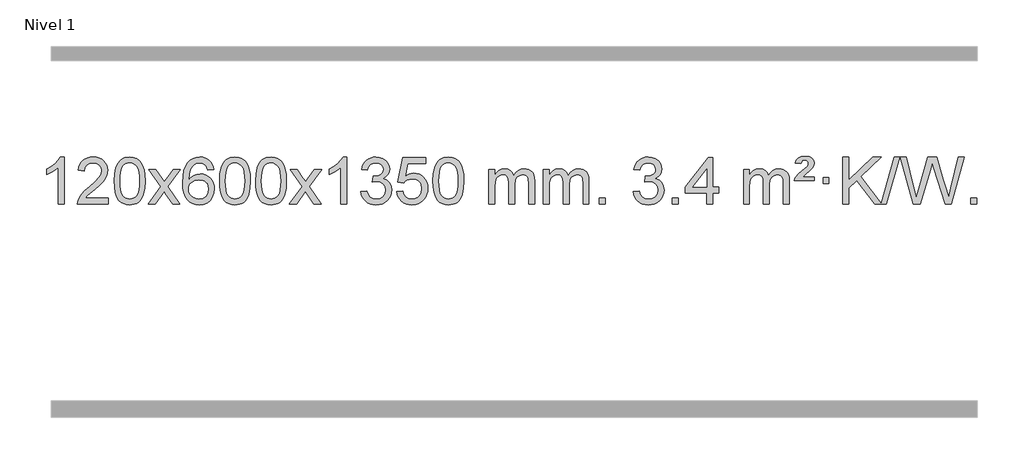
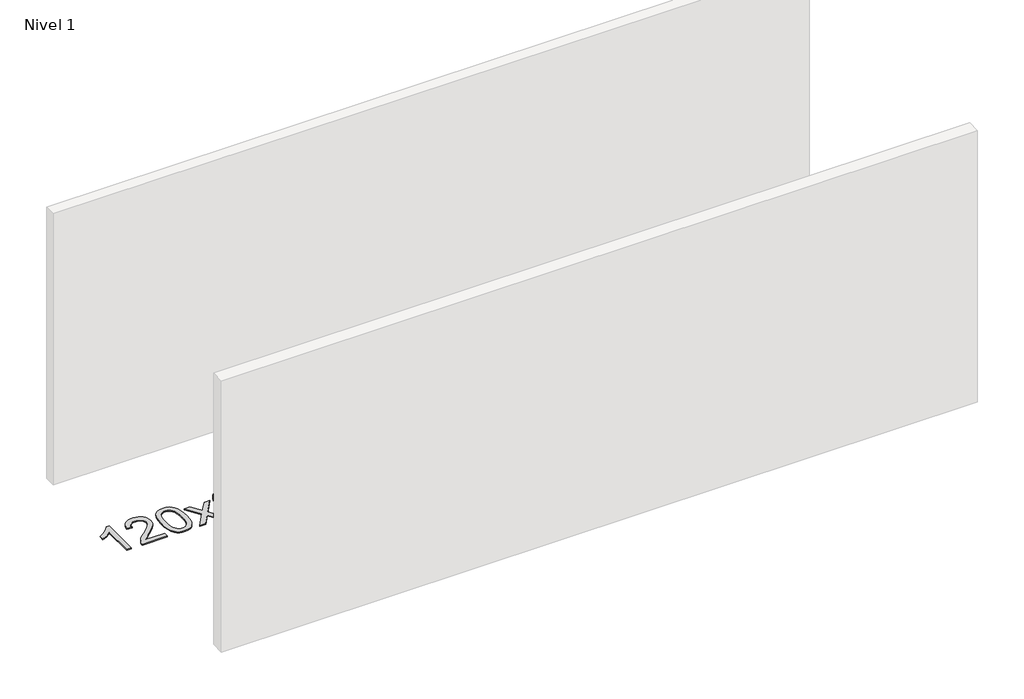
# One storey, part 4 of 16: 1 proxy.
"""IFC4 building model written with IfcOpenShell, lengths in millimetres."""

from ifc_helpers import new_model, si_unit, origin, origin_with_axes, place, context, project, spatial, polyline, outline, extrude, element, save

model = new_model("IFC4")

# Units and contexts
model_context = context("Model", 3, world=origin())
ifc_project = project(units=[si_unit("LENGTHUNIT", "METRE", prefix="MILLI")], contexts=[model_context])

# Site, building, storey
site = spatial("IfcSite", under=ifc_project)
building = spatial("IfcBuilding", under=site)
storey = spatial("IfcBuildingStorey", under=building, Name="Nivel 1", Elevation=0.0)

# Proxy
placement = place(None, origin())
element("IfcBuildingElementProxy", 1, Name="Texto de modelo 1", ObjectType="Texto de modelo 1", at=placement, inside=storey, context=model_context, shape_type="SweptSolid", body=[
    extrude(outline(polyline([(-121.6378538, -30595.579453), (-171.8660089, -30595.579453), (-171.8660089, -30282.4382987), (-192.8352826, -30299.3976587), (-219.4454136, -30316.3324932), (-272.3223191, -30341.6918254), (-272.3223191, -30294.2105225), (-232.8731065, -30272.7507395), (-198.6968691, -30247.219729), (-171.7556443, -30220.0700378), (-154.0114694, -30193.7542124), (-121.6378538, -30193.7542124), (-121.6378538, -30595.579453)])), origin_with_axes(), (0.0, 0.0, 1.0), 10.0),
    extrude(outline(polyline([(255.0733092, -30545.3512979), (255.0733092, -30595.579453), (-8.6245049, -30595.579453), (-7.5208589, -30577.8965918), (-3.2289023, -30560.9494945), (9.1564582, -30533.8856424), (27.2807778, -30507.6311307), (53.4985013, -30480.1503456), (90.1640735, -30449.4076736), (144.3653541, -30401.2641831), (176.8861225, -30365.7267824), (193.1465067, -30336.884834), (198.5666348, -30308.8277005), (193.453075, -30283.6768347), (178.1123958, -30262.7688747), (154.5311599, -30248.6789943), (124.6959301, -30243.9823675), (93.3646469, -30248.5686297), (69.0231215, -30262.3274163), (53.3145603, -30284.1796068), (47.8821695, -30313.0460807), (-2.3459855, -30306.7675613), (1.9735622, -30280.838012), (9.8309085, -30258.1826125), (21.2260533, -30238.8013627), (36.1589966, -30222.6942627), (54.2863819, -30210.0329907), (75.2648527, -30200.989225), (99.0944089, -30195.5629655), (125.7750506, -30193.7542124), (152.6948156, -30195.7653006), (176.6531306, -30201.7985654), (197.6499954, -30211.8540066), (215.6854103, -30225.9316242), (230.1707638, -30242.9890861), (240.5174449, -30261.9840598), (246.7254536, -30282.9165453), (248.7947898, -30305.7865427), (246.5629724, -30329.8092369), (239.8675201, -30353.4149983), (227.9849316, -30377.4254299), (210.1917058, -30402.6621347), (181.828004, -30432.7916701), (138.2339875, -30471.4805933), (80.4519888, -30519.795762), (57.7904579, -30545.3512979), (255.0733092, -30545.3512979)])), origin_with_axes(), (0.0, 0.0, 1.0), 10.0),
    extrude(outline(polyline([(305.3014643, -30397.9041943), (308.992547, -30333.5861588), (320.065795, -30282.2911459), (338.4108439, -30243.2343407), (350.2689068, -30228.0009605), (363.9173289, -30215.6309284), (379.4020952, -30206.0598651), (396.769191, -30199.2233914), (437.1503714, -30193.7542124), (468.1015099, -30196.991574), (495.8152869, -30206.7036586), (518.9918526, -30222.5103217), (536.3313573, -30244.0314184), (549.4279563, -30271.0830078), (559.8758049, -30303.4811488), (566.7184101, -30344.6226186), (568.9992784, -30397.9041943), (565.3449839, -30461.8543477), (554.3821005, -30513.0267333), (536.1474163, -30552.1203266), (524.3169444, -30567.3996922), (510.6777195, -30579.8341036), (495.174559, -30589.4695462), (477.7522809, -30596.3520052), (437.1503714, -30601.8579724), (409.4856453, -30599.4667394), (384.960179, -30592.2930405), (363.5739723, -30580.3368757), (345.3270254, -30563.5982449), (327.8158424, -30533.3399508), (315.3078546, -30495.6381776), (307.8030619, -30450.4929255), (305.3014643, -30397.9041943)]), holes=[polyline([(355.5296194, -30397.8060924), (357.0011473, -30441.4706195), (361.4157313, -30476.8148822), (368.7733712, -30503.8388804), (379.0740671, -30522.5426142), (391.533004, -30535.2682656), (405.365367, -30544.3580165), (420.5711561, -30549.8118671), (437.1503714, -30551.6298173), (453.7295866, -30549.8057357), (468.9353757, -30544.3334911), (482.7677388, -30535.2130833), (495.2266757, -30522.4445124), (505.5273715, -30503.7101217), (512.8850114, -30476.6922549), (517.2995954, -30441.3909118), (518.7711234, -30397.8060924), (517.3486463, -30355.2973278), (513.0812152, -30320.5753989), (505.9688299, -30293.6403055), (496.0114906, -30274.4920476), (483.7610201, -30261.1440625), (469.7692416, -30251.6097875), (454.0361549, -30245.8892225), (436.5617602, -30243.9823675), (420.068384, -30245.6623619), (405.1201123, -30250.7023452), (391.716945, -30259.1023175), (379.858882, -30270.8622786), (369.2148296, -30291.708925), (361.611935, -30319.8151094), (357.0501983, -30355.1808319), (355.5296194, -30397.8060924)])]), origin_with_axes(), (0.0, 0.0, 1.0), 10.0),
    extrude(outline(polyline([(594.113356, -30595.579453), (701.4367967, -30447.2494325), (600.3918754, -30300.4890419), (660.8226244, -30300.4890419), (709.5792515, -30371.122385), (732.3388843, -30404.4770192), (752.0573592, -30377.2047007), (807.583015, -30300.4890419), (868.0137641, -30300.4890419), (761.8675458, -30447.2494325), (864.0896895, -30595.579453), (803.6589404, -30595.579453), (742.1490708, -30506.4048574), (730.8673563, -30490.1199477), (654.544105, -30595.579453), (594.113356, -30595.579453)])), origin_with_axes(), (0.0, 0.0, 1.0), 10.0),
    extrude(outline(polyline([(1152.9015812, -30300.4890419), (1102.6734261, -30306.7675613), (1094.5800222, -30281.874213), (1083.6416642, -30264.8780648), (1060.857506, -30249.2062918), (1033.3154073, -30243.9823675), (1009.9671633, -30247.0235253), (987.9923455, -30256.1469988), (969.1199991, -30275.3627017), (953.7057435, -30301.8134171), (943.2946831, -30339.227016), (939.4319221, -30391.3313693), (959.5795927, -30367.8237098), (983.7249143, -30351.2567573), (1010.5189863, -30341.434308), (1038.612908, -30338.1601582), (1062.7459669, -30340.398107), (1085.0150903, -30347.1119534), (1105.4202783, -30358.3016975), (1123.9615309, -30373.9673391), (1139.3696551, -30393.1769106), (1150.3754581, -30414.9984443), (1156.97894, -30439.4319401), (1159.1801006, -30466.4773982), (1155.0352967, -30502.4439945), (1142.6008853, -30535.786366), (1122.9069358, -30564.0642287), (1096.9835179, -30584.8372987), (1066.0078539, -30597.602804), (1031.1571662, -30601.8579724), (1001.2146375, -30599.0375437), (974.1722452, -30590.5762579), (950.0299893, -30576.4741147), (928.7878697, -30556.7311143), (911.4698248, -30530.5133908), (899.0997927, -30496.9870783), (891.6777734, -30456.1521768), (889.203767, -30408.0086864), (891.9506193, -30354.0342663), (900.191176, -30307.9693092), (913.9254371, -30269.8138149), (933.1534027, -30239.5677835), (953.9939177, -30219.5243462), (978.1576335, -30205.2076052), (1005.6445499, -30196.6175606), (1036.454667, -30193.7542124), (1059.5883131, -30195.5261773), (1080.52693, -30200.8420722), (1099.2705176, -30209.7018969), (1115.8190761, -30222.1056515), (1129.7250155, -30237.6364031), (1140.5407461, -30255.8772186), (1148.266268, -30276.8280983), (1152.9015812, -30300.4890419)]), holes=[polyline([(939.4319221, -30465.6925832), (942.3381899, -30487.9494439), (951.0569932, -30509.2007605), (964.5950506, -30527.472233), (981.9590807, -30540.7895612), (1002.9160917, -30548.9197533), (1027.2330916, -30551.6298173), (1060.3792594, -30546.0134855), (1074.2943959, -30538.9930708), (1086.4375674, -30529.1644901), (1096.2876078, -30516.9262824), (1103.323351, -30502.6769865), (1108.9519455, -30468.1451299), (1103.3969274, -30434.9989621), (1096.4531547, -30421.3781312), (1086.731873, -30409.725469), (1074.5519133, -30400.3904634), (1060.2321066, -30393.7226022), (1025.1729524, -30388.3883133), (992.0758356, -30393.7226022), (964.3988468, -30409.725469), (953.4758173, -30421.2248471), (945.6736533, -30434.3858254), (940.9923549, -30449.2084042), (939.4319221, -30465.6925832)])]), origin_with_axes(), (0.0, 0.0, 1.0), 10.0),
    extrude(outline(polyline([(1203.1297362, -30397.9041943), (1206.8208189, -30333.5861588), (1217.894067, -30282.2911459), (1236.2391158, -30243.2343407), (1248.0971788, -30228.0009605), (1261.7456008, -30215.6309284), (1277.2303671, -30206.0598651), (1294.597463, -30199.2233914), (1334.9786433, -30193.7542124), (1365.9297818, -30196.991574), (1393.6435588, -30206.7036586), (1416.8201245, -30222.5103217), (1434.1596292, -30244.0314184), (1447.2562282, -30271.0830078), (1457.7040769, -30303.4811488), (1464.546682, -30344.6226186), (1466.8275504, -30397.9041943), (1463.1732559, -30461.8543477), (1452.2103725, -30513.0267333), (1433.9756882, -30552.1203266), (1422.1452164, -30567.3996922), (1408.5059914, -30579.8341036), (1393.002831, -30589.4695462), (1375.5805529, -30596.3520052), (1334.9786433, -30601.8579724), (1307.3139173, -30599.4667394), (1282.7884509, -30592.2930405), (1261.4022443, -30580.3368757), (1243.1552973, -30563.5982449), (1225.6441144, -30533.3399508), (1213.1361265, -30495.6381776), (1205.6313338, -30450.4929255), (1203.1297362, -30397.9041943)]), holes=[polyline([(1253.3578913, -30397.8060924), (1254.8294193, -30441.4706195), (1259.2440032, -30476.8148822), (1266.6016432, -30503.8388804), (1276.902339, -30522.5426142), (1289.3612759, -30535.2682656), (1303.1936389, -30544.3580165), (1318.3994281, -30549.8118671), (1334.9786433, -30551.6298173), (1351.5578586, -30549.8057357), (1366.7636477, -30544.3334911), (1380.5960107, -30535.2130833), (1393.0549476, -30522.4445124), (1403.3556435, -30503.7101217), (1410.7132834, -30476.6922549), (1415.1278673, -30441.3909118), (1416.5993953, -30397.8060924), (1415.1769183, -30355.2973278), (1410.9094871, -30320.5753989), (1403.7971019, -30293.6403055), (1393.8397625, -30274.4920476), (1381.5892921, -30261.1440625), (1367.5975136, -30251.6097875), (1351.8644269, -30245.8892225), (1334.3900321, -30243.9823675), (1317.896656, -30245.6623619), (1302.9483843, -30250.7023452), (1289.5452169, -30259.1023175), (1277.6871539, -30270.8622786), (1267.0431015, -30291.708925), (1259.440207, -30319.8151094), (1254.8784702, -30355.1808319), (1253.3578913, -30397.8060924)])]), origin_with_axes(), (0.0, 0.0, 1.0), 10.0),
    extrude(outline(polyline([(1510.7771861, -30397.9041943), (1514.4682688, -30333.5861588), (1525.5415168, -30282.2911459), (1543.8865656, -30243.2343407), (1555.7446286, -30228.0009605), (1569.3930506, -30215.6309284), (1584.877817, -30206.0598651), (1602.2449128, -30199.2233914), (1642.6260932, -30193.7542124), (1673.5772317, -30196.991574), (1701.2910087, -30206.7036586), (1724.4675743, -30222.5103217), (1741.8070791, -30244.0314184), (1754.9036781, -30271.0830078), (1765.3515267, -30303.4811488), (1772.1941319, -30344.6226186), (1774.4750002, -30397.9041943), (1770.8207057, -30461.8543477), (1759.8578223, -30513.0267333), (1741.6231381, -30552.1203266), (1729.7926662, -30567.3996922), (1716.1534413, -30579.8341036), (1700.6502808, -30589.4695462), (1683.2280027, -30596.3520052), (1642.6260932, -30601.8579724), (1614.9613671, -30599.4667394), (1590.4359008, -30592.2930405), (1569.0496941, -30580.3368757), (1550.8027472, -30563.5982449), (1533.2915642, -30533.3399508), (1520.7835764, -30495.6381776), (1513.2787836, -30450.4929255), (1510.7771861, -30397.9041943)]), holes=[polyline([(1561.0053412, -30397.8060924), (1562.4768691, -30441.4706195), (1566.8914531, -30476.8148822), (1574.249093, -30503.8388804), (1584.5497888, -30522.5426142), (1597.0087258, -30535.2682656), (1610.8410888, -30544.3580165), (1626.0468779, -30549.8118671), (1642.6260932, -30551.6298173), (1659.2053084, -30549.8057357), (1674.4110975, -30544.3334911), (1688.2434606, -30535.2130833), (1700.7023975, -30522.4445124), (1711.0030933, -30503.7101217), (1718.3607332, -30476.6922549), (1722.7753172, -30441.3909118), (1724.2468452, -30397.8060924), (1722.8243681, -30355.2973278), (1718.556937, -30320.5753989), (1711.4445517, -30293.6403055), (1701.4872124, -30274.4920476), (1689.2367419, -30261.1440625), (1675.2449634, -30251.6097875), (1659.5118767, -30245.8892225), (1642.037482, -30243.9823675), (1625.5441058, -30245.6623619), (1610.5958341, -30250.7023452), (1597.1926667, -30259.1023175), (1585.3346038, -30270.8622786), (1574.6905514, -30291.708925), (1567.0876568, -30319.8151094), (1562.5259201, -30355.1808319), (1561.0053412, -30397.8060924)])]), origin_with_axes(), (0.0, 0.0, 1.0), 10.0),
    extrude(outline(polyline([(1799.5890778, -30595.579453), (1906.9125185, -30447.2494325), (1805.8675971, -30300.4890419), (1866.2983462, -30300.4890419), (1915.0549733, -30371.122385), (1937.8146061, -30404.4770192), (1957.533081, -30377.2047007), (2013.0587368, -30300.4890419), (2073.4894859, -30300.4890419), (1967.3432676, -30447.2494325), (2069.5654113, -30595.579453), (2009.1346622, -30595.579453), (1947.6247926, -30506.4048574), (1936.3430781, -30490.1199477), (1860.0198268, -30595.579453), (1799.5890778, -30595.579453)])), origin_with_axes(), (0.0, 0.0, 1.0), 10.0),
    extrude(outline(polyline([(2289.3135897, -30595.579453), (2239.0854347, -30595.579453), (2239.0854347, -30282.4382987), (2218.1161609, -30299.3976587), (2191.50603, -30316.3324932), (2138.6291245, -30341.6918254), (2138.6291245, -30294.2105225), (2178.0783371, -30272.7507395), (2212.2545745, -30247.219729), (2239.1957993, -30220.0700378), (2256.9399742, -30193.7542124), (2289.3135897, -30193.7542124), (2289.3135897, -30595.579453)])), origin_with_axes(), (0.0, 0.0, 1.0), 10.0),
    extrude(outline(polyline([(2408.605458, -30488.8446235), (2458.8336131, -30482.5661041), (2470.0785394, -30514.1303793), (2486.5473901, -30535.4430095), (2509.0495055, -30547.5831154), (2538.3942259, -30551.6298173), (2572.8279807, -30546.0625364), (2587.1018021, -30539.1034354), (2599.4135862, -30529.3606939), (2616.4097344, -30504.4428201), (2622.0751171, -30474.2274455), (2616.4587853, -30445.5449126), (2599.6097899, -30422.2825078), (2574.1033049, -30406.8682522), (2542.5145043, -30401.730167), (2507.2959346, -30407.2238715), (2512.8877409, -30356.9957164), (2520.9320939, -30357.5843276), (2551.0248411, -30353.979084), (2577.9292777, -30343.1633534), (2589.0025257, -30334.9841103), (2596.9119886, -30324.8673555), (2601.6576664, -30312.8130888), (2603.239559, -30298.8213102), (2598.6532968, -30277.1285352), (2584.8945101, -30259.5315131), (2563.9007109, -30247.8696539), (2537.609411, -30243.9823675), (2511.2690602, -30247.9064421), (2489.7357007, -30259.6786659), (2474.0148768, -30279.299039), (2465.1121325, -30306.7675613), (2414.8839774, -30300.4890419), (2420.8375344, -30276.5092672), (2429.6728336, -30255.3867093), (2441.3898752, -30237.1213683), (2455.988659, -30221.713244), (2473.0093327, -30209.4811677), (2491.9920436, -30200.7439703), (2512.9367919, -30195.5016519), (2535.8435774, -30193.7542124), (2567.4201154, -30197.2000404), (2596.4214793, -30207.5375245), (2620.8733693, -30223.8469596), (2638.8014852, -30245.2086408), (2649.8011568, -30269.8199463), (2653.467714, -30295.8782543), (2649.9850978, -30320.1584659), (2639.5372491, -30342.1823347), (2622.2713208, -30360.9443165), (2598.3344657, -30375.4388671), (2629.7761135, -30388.1430586), (2653.0753066, -30409.77452), (2667.4962808, -30439.1560286), (2672.3032722, -30475.1103623), (2669.8997765, -30500.5923218), (2662.6892894, -30524.0631931), (2650.6718109, -30545.5229762), (2633.847341, -30564.971671), (2613.3501825, -30581.1094278), (2590.3146382, -30592.636397), (2564.7407082, -30599.5525785), (2536.6283924, -30601.8579724), (2511.2200092, -30599.8898037), (2488.067969, -30593.9852977), (2467.1722717, -30584.1444543), (2448.5329173, -30570.3672736), (2432.9040638, -30553.4630959), (2421.0398695, -30534.2412617), (2412.9403342, -30512.7017708), (2408.605458, -30488.8446235)])), origin_with_axes(), (0.0, 0.0, 1.0), 10.0),
    extrude(outline(polyline([(2716.2529079, -30488.8446235), (2766.481063, -30482.5661041), (2775.7026383, -30512.7201649), (2791.7913442, -30534.3148381), (2814.6736043, -30547.3010725), (2844.2758422, -30551.6298173), (2863.4057059, -30550.1245668), (2880.2792268, -30545.6088153), (2894.8964047, -30538.0825628), (2907.2572398, -30527.5458094), (2917.0858204, -30514.519721), (2924.1062352, -30499.5254641), (2929.7225669, -30463.6324441), (2924.4618544, -30429.8363514), (2917.8859638, -30415.9181493), (2908.6797168, -30403.9865099), (2896.8124568, -30394.4154467), (2882.2535268, -30387.5789729), (2845.0606571, -30382.1097939), (2820.6946063, -30384.2925604), (2800.9638686, -30390.8408599), (2785.2062565, -30400.8717757), (2772.7595823, -30413.5023908), (2722.5314273, -30407.2238715), (2766.481063, -30200.0327318), (2961.1151639, -30200.0327318), (2961.1151639, -30250.2608869), (2807.0952352, -30250.2608869), (2785.6109267, -30360.919791), (2803.3367075, -30348.2155994), (2821.491684, -30339.1411769), (2840.0758561, -30333.6965234), (2859.0892239, -30331.8816388), (2883.5503109, -30334.1318504), (2906.0187037, -30340.882485), (2926.4944024, -30352.1335427), (2944.977407, -30367.8850234), (2960.2782323, -30387.1743027), (2971.2073933, -30409.038756), (2977.7648898, -30433.4783832), (2979.950722, -30460.4931844), (2977.9825533, -30486.5147042), (2972.0780473, -30510.7213394), (2962.237204, -30533.1130902), (2948.4600232, -30553.6899565), (2927.5888514, -30574.7634634), (2903.2350633, -30589.8159684), (2875.398659, -30598.8474714), (2844.0796385, -30601.8579724), (2818.1592862, -30599.9235262), (2794.7466629, -30594.1201877), (2773.8417685, -30584.447957), (2755.4446031, -30570.9068338), (2740.1376464, -30554.1712688), (2728.5033783, -30534.915712), (2720.5417988, -30513.1401636), (2716.2529079, -30488.8446235)])), origin_with_axes(), (0.0, 0.0, 1.0), 10.0),
    extrude(outline(polyline([(3023.9003577, -30397.9041943), (3027.5914404, -30333.5861588), (3038.6646885, -30282.2911459), (3057.0097373, -30243.2343407), (3068.8678003, -30228.0009605), (3082.5162223, -30215.6309284), (3098.0009886, -30206.0598651), (3115.3680844, -30199.2233914), (3155.7492648, -30193.7542124), (3186.7004033, -30196.991574), (3214.4141803, -30206.7036586), (3237.590746, -30222.5103217), (3254.9302507, -30244.0314184), (3268.0268497, -30271.0830078), (3278.4746984, -30303.4811488), (3285.3173035, -30344.6226186), (3287.5981719, -30397.9041943), (3283.9438774, -30461.8543477), (3272.9809939, -30513.0267333), (3254.7463097, -30552.1203266), (3242.9158379, -30567.3996922), (3229.2766129, -30579.8341036), (3213.7734525, -30589.4695462), (3196.3511743, -30596.3520052), (3155.7492648, -30601.8579724), (3128.0845387, -30599.4667394), (3103.5590724, -30592.2930405), (3082.1728657, -30580.3368757), (3063.9259188, -30563.5982449), (3046.4147358, -30533.3399508), (3033.906748, -30495.6381776), (3026.4019553, -30450.4929255), (3023.9003577, -30397.9041943)]), holes=[polyline([(3074.1285128, -30397.8060924), (3075.6000408, -30441.4706195), (3080.0146247, -30476.8148822), (3087.3722646, -30503.8388804), (3097.6729605, -30522.5426142), (3110.1318974, -30535.2682656), (3123.9642604, -30544.3580165), (3139.1700495, -30549.8118671), (3155.7492648, -30551.6298173), (3172.32848, -30549.8057357), (3187.5342692, -30544.3334911), (3201.3666322, -30535.2130833), (3213.8255691, -30522.4445124), (3224.126265, -30503.7101217), (3231.4839049, -30476.6922549), (3235.8984888, -30441.3909118), (3237.3700168, -30397.8060924), (3235.9475397, -30355.2973278), (3231.6801086, -30320.5753989), (3224.5677233, -30293.6403055), (3214.610384, -30274.4920476), (3202.3599136, -30261.1440625), (3188.368135, -30251.6097875), (3172.6350484, -30245.8892225), (3155.1606536, -30243.9823675), (3138.6672775, -30245.6623619), (3123.7190057, -30250.7023452), (3110.3158384, -30259.1023175), (3098.4577754, -30270.8622786), (3087.813723, -30291.708925), (3080.2108284, -30319.8151094), (3075.6490917, -30355.1808319), (3074.1285128, -30397.8060924)])]), origin_with_axes(), (0.0, 0.0, 1.0), 10.0),
    extrude(outline(polyline([(3501.0678309, -30595.579453), (3501.0678309, -30300.4890419), (3551.295986, -30300.4890419), (3551.295986, -30349.0494653), (3566.4036733, -30326.7435537), (3585.8278426, -30309.2691589), (3608.9063064, -30297.9751816), (3634.9768772, -30294.2105225), (3662.9113833, -30298.048758), (3685.3031341, -30309.5634645), (3702.0295022, -30327.9943524), (3712.9678601, -30352.5811324), (3731.2761208, -30327.0439906), (3752.1595554, -30308.803175), (3775.6181639, -30297.8586857), (3801.6519464, -30294.2105225), (3821.7597632, -30295.7280358), (3839.4089019, -30300.2805755), (3854.5993626, -30307.8681416), (3867.3311453, -30318.4907342), (3877.3957836, -30332.2709806), (3884.5848109, -30349.3315082), (3888.8982273, -30369.6723168), (3890.3360328, -30393.2934066), (3890.3360328, -30595.579453), (3840.1078777, -30595.579453), (3840.1078777, -30414.875817), (3838.942918, -30389.8230531), (3835.4480391, -30372.9372695), (3828.8997396, -30361.3735121), (3818.5745182, -30352.2868268), (3805.2939782, -30346.4007149), (3789.8797226, -30344.4386776), (3762.6687177, -30349.4663982), (3740.4854334, -30364.54956), (3731.8800604, -30376.1194488), (3725.7333654, -30390.7182326), (3720.8160094, -30429.0024856), (3720.8160094, -30595.579453), (3670.5878543, -30595.579453), (3670.5878543, -30409.2840106), (3667.6815865, -30380.8835206), (3658.9627833, -30360.6254854), (3643.6221041, -30348.4853796), (3620.8502086, -30344.4386776), (3601.4996156, -30347.1364789), (3583.6696016, -30355.2298828), (3568.9543218, -30368.5226856), (3558.9479315, -30386.8186835), (3553.2089724, -30412.2025411), (3551.295986, -30446.7589232), (3551.295986, -30595.579453), (3501.0678309, -30595.579453)])), origin_with_axes(), (0.0, 0.0, 1.0), 10.0),
    extrude(outline(polyline([(3965.6782654, -30595.579453), (3965.6782654, -30300.4890419), (4015.9064204, -30300.4890419), (4015.9064204, -30349.0494653), (4031.0141077, -30326.7435537), (4050.4382771, -30309.2691589), (4073.5167409, -30297.9751816), (4099.5873116, -30294.2105225), (4127.5218178, -30298.048758), (4149.9135685, -30309.5634645), (4166.6399366, -30327.9943524), (4177.5782946, -30352.5811324), (4195.8865552, -30327.0439906), (4216.7699898, -30308.803175), (4240.2285984, -30297.8586857), (4266.2623809, -30294.2105225), (4286.3701976, -30295.7280358), (4304.0193363, -30300.2805755), (4319.209797, -30307.8681416), (4331.9415798, -30318.4907342), (4342.006218, -30332.2709806), (4349.1952453, -30349.3315082), (4353.5086617, -30369.6723168), (4354.9464672, -30393.2934066), (4354.9464672, -30595.579453), (4304.7183121, -30595.579453), (4304.7183121, -30414.875817), (4303.5533525, -30389.8230531), (4300.0584735, -30372.9372695), (4293.510174, -30361.3735121), (4283.1849527, -30352.2868268), (4269.9044126, -30346.4007149), (4254.490157, -30344.4386776), (4227.2791521, -30349.4663982), (4205.0958678, -30364.54956), (4196.4904948, -30376.1194488), (4190.3437998, -30390.7182326), (4185.4264438, -30429.0024856), (4185.4264438, -30595.579453), (4135.1982887, -30595.579453), (4135.1982887, -30409.2840106), (4132.292021, -30380.8835206), (4123.5732177, -30360.6254854), (4108.2325385, -30348.4853796), (4085.460643, -30344.4386776), (4066.11005, -30347.1364789), (4048.280036, -30355.2298828), (4033.5647562, -30368.5226856), (4023.5583659, -30386.8186835), (4017.8194068, -30412.2025411), (4015.9064204, -30446.7589232), (4015.9064204, -30595.579453), (3965.6782654, -30595.579453)])), origin_with_axes(), (0.0, 0.0, 1.0), 10.0),
    extrude(outline(polyline([(4442.8457386, -30595.579453), (4442.8457386, -30545.3512979), (4493.0738936, -30545.3512979), (4493.0738936, -30595.579453), (4442.8457386, -30595.579453)])), origin_with_axes(), (0.0, 0.0, 1.0), 10.0),
    extrude(outline(polyline([(4731.6576303, -30488.8446235), (4781.8857853, -30482.5661041), (4793.1307116, -30514.1303793), (4809.5995623, -30535.4430095), (4832.1016777, -30547.5831154), (4861.4463982, -30551.6298173), (4895.8801529, -30546.0625364), (4910.1539743, -30539.1034354), (4922.4657584, -30529.3606939), (4939.4619066, -30504.4428201), (4945.1272893, -30474.2274455), (4939.5109575, -30445.5449126), (4922.6619621, -30422.2825078), (4897.1554772, -30406.8682522), (4865.5666765, -30401.730167), (4830.3481068, -30407.2238715), (4835.9399132, -30356.9957164), (4843.9842661, -30357.5843276), (4874.0770133, -30353.979084), (4900.9814499, -30343.1633534), (4912.054698, -30334.9841103), (4919.9641609, -30324.8673555), (4924.7098386, -30312.8130888), (4926.2917312, -30298.8213102), (4921.705469, -30277.1285352), (4907.9466823, -30259.5315131), (4886.9528832, -30247.8696539), (4860.6615832, -30243.9823675), (4834.3212324, -30247.9064421), (4812.7878729, -30259.6786659), (4797.067049, -30279.299039), (4788.1643047, -30306.7675613), (4737.9361496, -30300.4890419), (4743.8897066, -30276.5092672), (4752.7250058, -30255.3867093), (4764.4420474, -30237.1213683), (4779.0408312, -30221.713244), (4796.0615049, -30209.4811677), (4815.0442158, -30200.7439703), (4835.9889641, -30195.5016519), (4858.8957497, -30193.7542124), (4890.4722876, -30197.2000404), (4919.4736515, -30207.5375245), (4943.9255415, -30223.8469596), (4961.8536574, -30245.2086408), (4972.853329, -30269.8199463), (4976.5198862, -30295.8782543), (4973.03727, -30320.1584659), (4962.5894214, -30342.1823347), (4945.3234931, -30360.9443165), (4921.3866379, -30375.4388671), (4952.8282858, -30388.1430586), (4976.1274788, -30409.77452), (4990.548453, -30439.1560286), (4995.3554444, -30475.1103623), (4992.9519487, -30500.5923218), (4985.7414616, -30524.0631931), (4973.7239831, -30545.5229762), (4956.8995132, -30564.971671), (4936.4023547, -30581.1094278), (4913.3668104, -30592.636397), (4887.7928804, -30599.5525785), (4859.6805646, -30601.8579724), (4834.2721814, -30599.8898037), (4811.1201412, -30593.9852977), (4790.2244439, -30584.1444543), (4771.5850895, -30570.3672736), (4755.956236, -30553.4630959), (4744.0920417, -30534.2412617), (4735.9925064, -30512.7017708), (4731.6576303, -30488.8446235)])), origin_with_axes(), (0.0, 0.0, 1.0), 10.0),
    extrude(outline(polyline([(5064.4191576, -30595.579453), (5064.4191576, -30545.3512979), (5114.6473127, -30545.3512979), (5114.6473127, -30595.579453), (5064.4191576, -30595.579453)])), origin_with_axes(), (0.0, 0.0, 1.0), 10.0),
    extrude(outline(polyline([(5359.5095687, -30595.579453), (5359.5095687, -30501.4016622), (5177.4325065, -30501.4016622), (5177.4325065, -30451.1735072), (5372.0666075, -30200.0327318), (5409.7377238, -30200.0327318), (5409.7377238, -30451.1735072), (5459.9658788, -30451.1735072), (5459.9658788, -30501.4016622), (5409.7377238, -30501.4016622), (5409.7377238, -30595.579453), (5359.5095687, -30595.579453)]), holes=[polyline([(5359.5095687, -30451.1735072), (5359.5095687, -30295.9763561), (5239.2366817, -30451.1735072), (5359.5095687, -30451.1735072)])]), origin_with_axes(), (0.0, 0.0, 1.0), 10.0),
    extrude(outline(polyline([(5673.4355379, -30595.579453), (5673.4355379, -30300.4890419), (5723.663693, -30300.4890419), (5723.663693, -30349.0494653), (5738.7713802, -30326.7435537), (5758.1955496, -30309.2691589), (5781.2740134, -30297.9751816), (5807.3445842, -30294.2105225), (5835.2790903, -30298.048758), (5857.6708411, -30309.5634645), (5874.3972091, -30327.9943524), (5885.3355671, -30352.5811324), (5903.6438278, -30327.0439906), (5924.5272623, -30308.803175), (5947.9858709, -30297.8586857), (5974.0196534, -30294.2105225), (5994.1274702, -30295.7280358), (6011.7766089, -30300.2805755), (6026.9670696, -30307.8681416), (6039.6988523, -30318.4907342), (6049.7634906, -30332.2709806), (6056.9525179, -30349.3315082), (6061.2659343, -30369.6723168), (6062.7037397, -30393.2934066), (6062.7037397, -30595.579453), (6012.4755847, -30595.579453), (6012.4755847, -30414.875817), (6011.310625, -30389.8230531), (6007.8157461, -30372.9372695), (6001.2674465, -30361.3735121), (5990.9422252, -30352.2868268), (5977.6616852, -30346.4007149), (5962.2474296, -30344.4386776), (5935.0364247, -30349.4663982), (5912.8531404, -30364.54956), (5904.2477674, -30376.1194488), (5898.1010724, -30390.7182326), (5893.1837164, -30429.0024856), (5893.1837164, -30595.579453), (5842.9555613, -30595.579453), (5842.9555613, -30409.2840106), (5840.0492935, -30380.8835206), (5831.3304902, -30360.6254854), (5815.989811, -30348.4853796), (5793.2179155, -30344.4386776), (5773.8673226, -30347.1364789), (5756.0373086, -30355.2298828), (5741.3220287, -30368.5226856), (5731.3156385, -30386.8186835), (5725.5766794, -30412.2025411), (5723.663693, -30446.7589232), (5723.663693, -30595.579453), (5673.4355379, -30595.579453)])), origin_with_axes(), (0.0, 0.0, 1.0), 10.0),
    extrude(outline(polyline([(6106.6533754, -30394.6668327), (6110.4793482, -30378.8479069), (6118.8180067, -30362.9799302), (6140.3268407, -30337.8413272), (6172.2835234, -30310.1030247), (6216.4293628, -30272.726214), (6223.5662735, -30261.1992448), (6225.9452437, -30249.3779701), (6224.0567828, -30237.2869152), (6218.3914001, -30227.5012541), (6209.022672, -30221.026531), (6196.0241748, -30218.8682899), (6183.5897634, -30220.4869707), (6174.73607, -30225.343013), (6168.3103978, -30234.8098431), (6163.1600499, -30250.2608869), (6112.9318948, -30243.9823675), (6123.7721509, -30218.7701881), (6140.4004171, -30201.2099542), (6164.165594, -30190.9092583), (6196.4165822, -30187.475693), (6232.1992376, -30191.6082341), (6256.9454332, -30204.0058573), (6271.3664074, -30222.3386434), (6276.1733988, -30244.2766731), (6272.0776459, -30267.1834586), (6259.7903873, -30288.8149199), (6239.262572, -30308.6314968), (6202.7932035, -30336.6886303), (6177.1886166, -30363.2742358), (6276.1733988, -30363.2742358), (6276.1733988, -30394.6668327), (6106.6533754, -30394.6668327)])), origin_with_axes(), (0.0, 0.0, 1.0), 10.0),
    extrude(outline(polyline([(6351.5156314, -30419.7809102), (6351.5156314, -30369.5527552), (6401.7437865, -30369.5527552), (6401.7437865, -30419.7809102), (6351.5156314, -30419.7809102)])), origin_with_axes(), (0.0, 0.0, 1.0), 10.0),
    extrude(outline(polyline([(6792.3854144, -30595.579453), (6638.954097, -30392.9009991), (6571.2638099, -30457.4520265), (6571.2638099, -30595.579453), (6521.0356548, -30595.579453), (6521.0356548, -30193.7542124), (6571.2638099, -30193.7542124), (6571.2638099, -30390.4484525), (6777.2777272, -30193.7542124), (6847.5186628, -30193.7542124), (6674.5650741, -30358.9577537), (6849.218684, -30589.5349332), (6960.5320117, -30193.7542124), (7005.8550735, -30193.7542124), (6892.8417246, -30595.579453), (6853.7971822, -30595.579453), (6847.5186628, -30595.579453), (6792.3854144, -30595.579453)])), origin_with_axes(), (0.0, 0.0, 1.0), 10.0),
    extrude(outline(polyline([(7120.3399504, -30595.579453), (7010.7601668, -30193.7542124), (7062.5579517, -30193.7542124), (7126.1279605, -30457.844434), (7145.7483335, -30539.3670841), (7166.7421327, -30467.2622131), (7246.4008474, -30193.7542124), (7321.056367, -30193.7542124), (7378.9364675, -30392.0180823), (7403.731714, -30465.5944814), (7422.0031864, -30539.3670841), (7441.0349483, -30460.1988788), (7505.1935683, -30193.7542124), (7556.9913532, -30193.7542124), (7447.3134677, -30595.579453), (7393.6517474, -30595.579453), (7297.3157155, -30285.5775584), (7283.87576, -30242.3146358), (7268.7680727, -30294.4067263), (7180.9669032, -30595.579453), (7120.3399504, -30595.579453)])), origin_with_axes(), (0.0, 0.0, 1.0), 10.0),
    extrude(outline(polyline([(7613.4980277, -30595.579453), (7613.4980277, -30545.3512979), (7663.7261827, -30545.3512979), (7663.7261827, -30595.579453), (7613.4980277, -30595.579453)])), origin_with_axes(), (0.0, 0.0, 1.0), 10.0),
])

save(model, "model.ifc")
